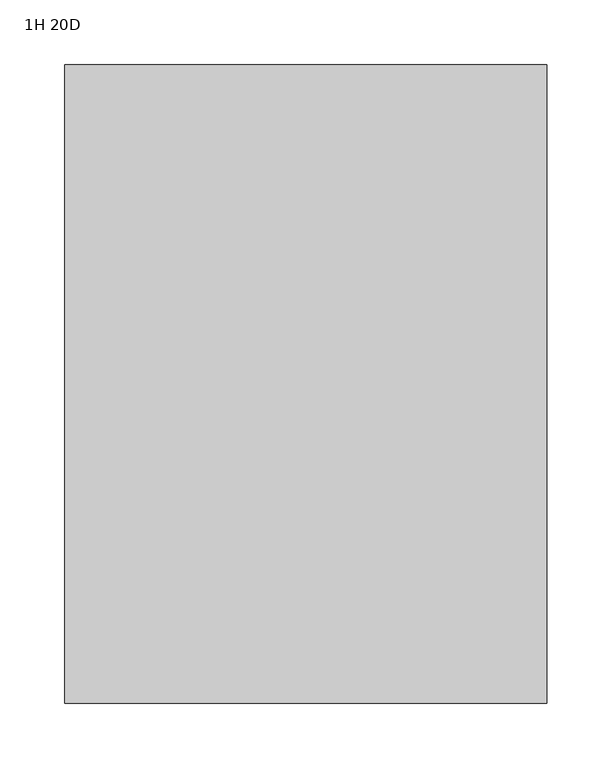
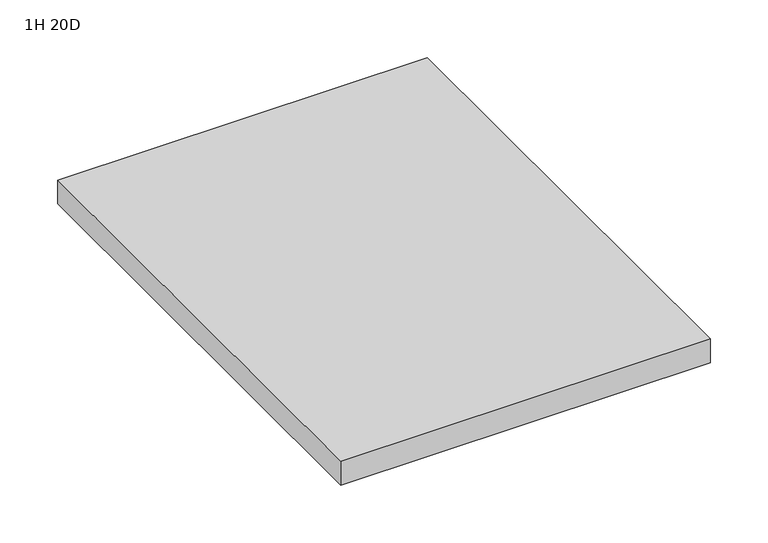
"""IFC4 building model written with IfcOpenShell, lengths in millimetres: furniture geometry, 1H 20D."""

from ifc_helpers import new_model, si_unit, frame, origin, place, context, project, spatial, polyline, outline, extrude, source, transform, mapped, element, save


def furniture_1h_20d_04453c97(model_context):
    return source(origin(), model_context, "Body", "SweptSolid", [
        extrude(outline(polyline([(-288.925, 440.563), (-288.925, -51.562), (-660.4, -51.562), (-660.4, 440.563), (-288.925, 440.563)])), frame((0.0, 0.0, 542.925), z_axis=(0.0, 0.0, 1.0), x_axis=(1.0, 0.0, 0.0)), (0.0, 0.0, 1.0), 25.4),
    ])


if __name__ == "__main__":
    model = new_model("IFC4")
    model_context = context("Model", 3, world=origin())
    ifc_project = project(units=[si_unit("LENGTHUNIT", "METRE", prefix="MILLI")], contexts=[model_context])
    site = spatial("IfcSite", under=ifc_project)
    building = spatial("IfcBuilding", under=site)
    placement = place(None, origin())
    furniture_1h_20d_shape = furniture_1h_20d_04453c97(model_context)
    element("IfcFurniture", 1, ObjectType="1H 20D", at=placement, inside=building, context=model_context, shape_type="MappedRepresentation", body=[
        mapped(furniture_1h_20d_shape, transform((0.0, 0.0, 0.0), x_axis=(1.0, 0.0, 0.0), y_axis=(0.0, 1.0, 0.0), z_axis=(0.0, 0.0, 1.0))),
    ])
    save(model, "model.ifc")
